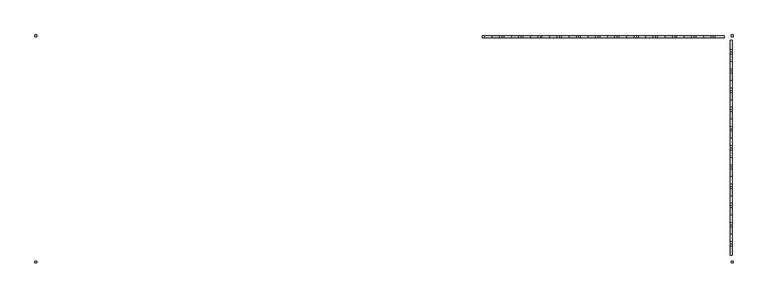
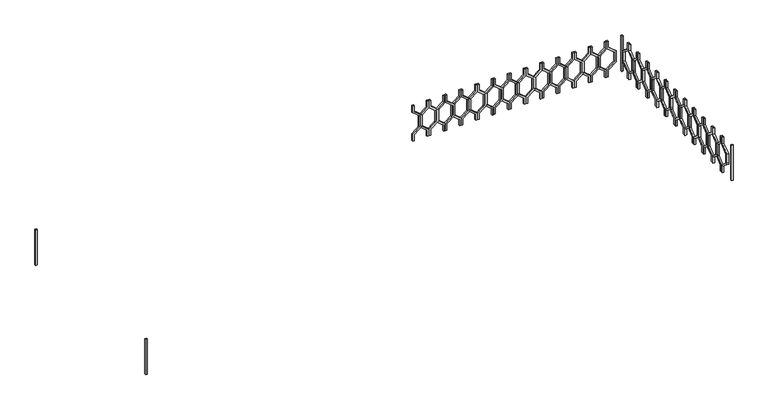
"""IFC4 building model written with IfcOpenShell, lengths in millimetres: railing geometry."""

from ifc_helpers import new_model, si_unit, frame, origin, place, context, project, spatial, polyline, outline, extrude, source, transform, mapped, element, save


def railing_6341f59c(model_context):
    return source(origin(), model_context, "Body", "SweptSolid", [
        extrude(outline(polyline([(25360.0, -43314.9887159), (25270.448155, -43314.9887159), (25190.448155, -43215.9937665), (25069.551845, -43215.9937665), (24989.551845, -43314.9887159), (24900.0, -43314.9887159), (24900.0, -43294.9887159), (24980.0, -43294.9887159), (25060.0, -43195.9937665), (25200.0, -43195.9937665), (25280.0, -43294.9887159), (25360.0, -43294.9887159), (25360.0, -43314.9887159)])), frame((0.0, 3248.1079487, 0.0), z_axis=(0.0, 1.0, 0.0), x_axis=(0.0, 0.0, 1.0)), (0.0, 0.0, 1.0), 20.0),
        extrude(outline(polyline([(25360.0, -43114.9887159), (25360.0, -43134.9887159), (25280.0, -43134.9887159), (25200.0, -43233.9836653), (25060.0, -43233.9836653), (24980.0, -43134.9887159), (24900.0, -43134.9887159), (24900.0, -43114.9887159), (24989.551845, -43114.9887159), (25069.551845, -43213.9836653), (25190.448155, -43213.9836653), (25270.448155, -43114.9887159), (25360.0, -43114.9887159)])), frame((0.0, 3248.1079487, 0.0), z_axis=(0.0, 1.0, 0.0), x_axis=(0.0, 0.0, 1.0)), (0.0, 0.0, 1.0), 20.0),
        extrude(outline(polyline([(25360.0, -43114.9887159), (25270.448155, -43114.9887159), (25190.448155, -43015.9937665), (25069.551845, -43015.9937665), (24989.551845, -43114.9887159), (24900.0, -43114.9887159), (24900.0, -43094.9887159), (24980.0, -43094.9887159), (25060.0, -42995.9937665), (25200.0, -42995.9937665), (25280.0, -43094.9887159), (25360.0, -43094.9887159), (25360.0, -43114.9887159)])), frame((0.0, 3248.1079487, 0.0), z_axis=(0.0, 1.0, 0.0), x_axis=(0.0, 0.0, 1.0)), (0.0, 0.0, 1.0), 20.0),
        extrude(outline(polyline([(25360.0, -42914.9887159), (25360.0, -42934.9887159), (25280.0, -42934.9887159), (25200.0, -43033.9836653), (25060.0, -43033.9836653), (24980.0, -42934.9887159), (24900.0, -42934.9887159), (24900.0, -42914.9887159), (24989.551845, -42914.9887159), (25069.551845, -43013.9836653), (25190.448155, -43013.9836653), (25270.448155, -42914.9887159), (25360.0, -42914.9887159)])), frame((0.0, 3248.1079487, 0.0), z_axis=(0.0, 1.0, 0.0), x_axis=(0.0, 0.0, 1.0)), (0.0, 0.0, 1.0), 20.0),
        extrude(outline(polyline([(25360.0, -42914.9887159), (25270.448155, -42914.9887159), (25190.448155, -42815.9937665), (25069.551845, -42815.9937665), (24989.551845, -42914.9887159), (24900.0, -42914.9887159), (24900.0, -42894.9887159), (24980.0, -42894.9887159), (25060.0, -42795.9937665), (25200.0, -42795.9937665), (25280.0, -42894.9887159), (25360.0, -42894.9887159), (25360.0, -42914.9887159)])), frame((0.0, 3248.1079487, 0.0), z_axis=(0.0, 1.0, 0.0), x_axis=(0.0, 0.0, 1.0)), (0.0, 0.0, 1.0), 20.0),
        extrude(outline(polyline([(25360.0, -42714.9887159), (25360.0, -42734.9887159), (25280.0, -42734.9887159), (25200.0, -42833.9836653), (25060.0, -42833.9836653), (24980.0, -42734.9887159), (24900.0, -42734.9887159), (24900.0, -42714.9887159), (24989.551845, -42714.9887159), (25069.551845, -42813.9836653), (25190.448155, -42813.9836653), (25270.448155, -42714.9887159), (25360.0, -42714.9887159)])), frame((0.0, 3248.1079487, 0.0), z_axis=(0.0, 1.0, 0.0), x_axis=(0.0, 0.0, 1.0)), (0.0, 0.0, 1.0), 20.0),
        extrude(outline(polyline([(25360.0, -42714.9887159), (25270.448155, -42714.9887159), (25190.448155, -42615.9937665), (25069.551845, -42615.9937665), (24989.551845, -42714.9887159), (24900.0, -42714.9887159), (24900.0, -42694.9887159), (24980.0, -42694.9887159), (25060.0, -42595.9937665), (25200.0, -42595.9937665), (25280.0, -42694.9887159), (25360.0, -42694.9887159), (25360.0, -42714.9887159)])), frame((0.0, 3248.1079487, 0.0), z_axis=(0.0, 1.0, 0.0), x_axis=(0.0, 0.0, 1.0)), (0.0, 0.0, 1.0), 20.0),
        extrude(outline(polyline([(25360.0, -42514.9887159), (25360.0, -42534.9887159), (25280.0, -42534.9887159), (25200.0, -42633.9836653), (25060.0, -42633.9836653), (24980.0, -42534.9887159), (24900.0, -42534.9887159), (24900.0, -42514.9887159), (24989.551845, -42514.9887159), (25069.551845, -42613.9836653), (25190.448155, -42613.9836653), (25270.448155, -42514.9887159), (25360.0, -42514.9887159)])), frame((0.0, 3248.1079487, 0.0), z_axis=(0.0, 1.0, 0.0), x_axis=(0.0, 0.0, 1.0)), (0.0, 0.0, 1.0), 20.0),
        extrude(outline(polyline([(25360.0, -42514.9887159), (25270.448155, -42514.9887159), (25190.448155, -42415.9937665), (25069.551845, -42415.9937665), (24989.551845, -42514.9887159), (24900.0, -42514.9887159), (24900.0, -42494.9887159), (24980.0, -42494.9887159), (25060.0, -42395.9937665), (25200.0, -42395.9937665), (25280.0, -42494.9887159), (25360.0, -42494.9887159), (25360.0, -42514.9887159)])), frame((0.0, 3248.1079487, 0.0), z_axis=(0.0, 1.0, 0.0), x_axis=(0.0, 0.0, 1.0)), (0.0, 0.0, 1.0), 20.0),
        extrude(outline(polyline([(25360.0, -42314.9887159), (25360.0, -42334.9887159), (25280.0, -42334.9887159), (25200.0, -42433.9836653), (25060.0, -42433.9836653), (24980.0, -42334.9887159), (24900.0, -42334.9887159), (24900.0, -42314.9887159), (24989.551845, -42314.9887159), (25069.551845, -42413.9836653), (25190.448155, -42413.9836653), (25270.448155, -42314.9887159), (25360.0, -42314.9887159)])), frame((0.0, 3248.1079487, 0.0), z_axis=(0.0, 1.0, 0.0), x_axis=(0.0, 0.0, 1.0)), (0.0, 0.0, 1.0), 20.0),
        extrude(outline(polyline([(25360.0, -42314.9887159), (25270.448155, -42314.9887159), (25190.448155, -42215.9937665), (25069.551845, -42215.9937665), (24989.551845, -42314.9887159), (24900.0, -42314.9887159), (24900.0, -42294.9887159), (24980.0, -42294.9887159), (25060.0, -42195.9937665), (25200.0, -42195.9937665), (25280.0, -42294.9887159), (25360.0, -42294.9887159), (25360.0, -42314.9887159)])), frame((0.0, 3248.1079487, 0.0), z_axis=(0.0, 1.0, 0.0), x_axis=(0.0, 0.0, 1.0)), (0.0, 0.0, 1.0), 20.0),
        extrude(outline(polyline([(25360.0, -42114.9887159), (25360.0, -42134.9887159), (25280.0, -42134.9887159), (25200.0, -42233.9836653), (25060.0, -42233.9836653), (24980.0, -42134.9887159), (24900.0, -42134.9887159), (24900.0, -42114.9887159), (24989.551845, -42114.9887159), (25069.551845, -42213.9836653), (25190.448155, -42213.9836653), (25270.448155, -42114.9887159), (25360.0, -42114.9887159)])), frame((0.0, 3248.1079487, 0.0), z_axis=(0.0, 1.0, 0.0), x_axis=(0.0, 0.0, 1.0)), (0.0, 0.0, 1.0), 20.0),
        extrude(outline(polyline([(25360.0, -42114.9887159), (25270.448155, -42114.9887159), (25190.448155, -42015.9937665), (25069.551845, -42015.9937665), (24989.551845, -42114.9887159), (24900.0, -42114.9887159), (24900.0, -42094.9887159), (24980.0, -42094.9887159), (25060.0, -41995.9937665), (25200.0, -41995.9937665), (25280.0, -42094.9887159), (25360.0, -42094.9887159), (25360.0, -42114.9887159)])), frame((0.0, 3248.1079487, 0.0), z_axis=(0.0, 1.0, 0.0), x_axis=(0.0, 0.0, 1.0)), (0.0, 0.0, 1.0), 20.0),
        extrude(outline(polyline([(25360.0, -41914.9887159), (25360.0, -41934.9887159), (25280.0, -41934.9887159), (25200.0, -42033.9836653), (25060.0, -42033.9836653), (24980.0, -41934.9887159), (24900.0, -41934.9887159), (24900.0, -41914.9887159), (24989.551845, -41914.9887159), (25069.551845, -42013.9836653), (25190.448155, -42013.9836653), (25270.448155, -41914.9887159), (25360.0, -41914.9887159)])), frame((0.0, 3248.1079487, 0.0), z_axis=(0.0, 1.0, 0.0), x_axis=(0.0, 0.0, 1.0)), (0.0, 0.0, 1.0), 20.0),
        extrude(outline(polyline([(25360.0, -41914.9887159), (25270.448155, -41914.9887159), (25190.448155, -41815.9937665), (25069.551845, -41815.9937665), (24989.551845, -41914.9887159), (24900.0, -41914.9887159), (24900.0, -41894.9887159), (24980.0, -41894.9887159), (25060.0, -41795.9937665), (25200.0, -41795.9937665), (25280.0, -41894.9887159), (25360.0, -41894.9887159), (25360.0, -41914.9887159)])), frame((0.0, 3248.1079487, 0.0), z_axis=(0.0, 1.0, 0.0), x_axis=(0.0, 0.0, 1.0)), (0.0, 0.0, 1.0), 20.0),
        extrude(outline(polyline([(25360.0, -41714.9887159), (25360.0, -41734.9887159), (25280.0, -41734.9887159), (25200.0, -41833.9836653), (25060.0, -41833.9836653), (24980.0, -41734.9887159), (24900.0, -41734.9887159), (24900.0, -41714.9887159), (24989.551845, -41714.9887159), (25069.551845, -41813.9836653), (25190.448155, -41813.9836653), (25270.448155, -41714.9887159), (25360.0, -41714.9887159)])), frame((0.0, 3248.1079487, 0.0), z_axis=(0.0, 1.0, 0.0), x_axis=(0.0, 0.0, 1.0)), (0.0, 0.0, 1.0), 20.0),
        extrude(outline(polyline([(25360.0, -41714.9887159), (25270.448155, -41714.9887159), (25190.448155, -41615.9937665), (25069.551845, -41615.9937665), (24989.551845, -41714.9887159), (24900.0, -41714.9887159), (24900.0, -41694.9887159), (24980.0, -41694.9887159), (25060.0, -41595.9937665), (25200.0, -41595.9937665), (25280.0, -41694.9887159), (25360.0, -41694.9887159), (25360.0, -41714.9887159)])), frame((0.0, 3248.1079487, 0.0), z_axis=(0.0, 1.0, 0.0), x_axis=(0.0, 0.0, 1.0)), (0.0, 0.0, 1.0), 20.0),
        extrude(outline(polyline([(25360.0, -41514.9887159), (25360.0, -41534.9887159), (25280.0, -41534.9887159), (25200.0, -41633.9836653), (25060.0, -41633.9836653), (24980.0, -41534.9887159), (24900.0, -41534.9887159), (24900.0, -41514.9887159), (24989.551845, -41514.9887159), (25069.551845, -41613.9836653), (25190.448155, -41613.9836653), (25270.448155, -41514.9887159), (25360.0, -41514.9887159)])), frame((0.0, 3248.1079487, 0.0), z_axis=(0.0, 1.0, 0.0), x_axis=(0.0, 0.0, 1.0)), (0.0, 0.0, 1.0), 20.0),
        extrude(outline(polyline([(25360.0, -41514.9887159), (25270.448155, -41514.9887159), (25190.448155, -41415.9937665), (25069.551845, -41415.9937665), (24989.551845, -41514.9887159), (24900.0, -41514.9887159), (24900.0, -41494.9887159), (24980.0, -41494.9887159), (25060.0, -41395.9937665), (25200.0, -41395.9937665), (25280.0, -41494.9887159), (25360.0, -41494.9887159), (25360.0, -41514.9887159)])), frame((0.0, 3248.1079487, 0.0), z_axis=(0.0, 1.0, 0.0), x_axis=(0.0, 0.0, 1.0)), (0.0, 0.0, 1.0), 20.0),
        extrude(outline(polyline([(25360.0, -41314.9887159), (25360.0, -41334.9887159), (25280.0, -41334.9887159), (25200.0, -41433.9836653), (25060.0, -41433.9836653), (24980.0, -41334.9887159), (24900.0, -41334.9887159), (24900.0, -41314.9887159), (24989.551845, -41314.9887159), (25069.551845, -41413.9836653), (25190.448155, -41413.9836653), (25270.448155, -41314.9887159), (25360.0, -41314.9887159)])), frame((0.0, 3248.1079487, 0.0), z_axis=(0.0, 1.0, 0.0), x_axis=(0.0, 0.0, 1.0)), (0.0, 0.0, 1.0), 20.0),
        extrude(outline(polyline([(25360.0, -41314.9887159), (25270.448155, -41314.9887159), (25190.448155, -41215.9937665), (25069.551845, -41215.9937665), (24989.551845, -41314.9887159), (24900.0, -41314.9887159), (24900.0, -41294.9887159), (24980.0, -41294.9887159), (25060.0, -41195.9937665), (25200.0, -41195.9937665), (25280.0, -41294.9887159), (25360.0, -41294.9887159), (25360.0, -41314.9887159)])), frame((0.0, 3248.1079487, 0.0), z_axis=(0.0, 1.0, 0.0), x_axis=(0.0, 0.0, 1.0)), (0.0, 0.0, 1.0), 20.0),
        extrude(outline(polyline([(25360.0, -41114.9887159), (25360.0, -41134.9887159), (25280.0, -41134.9887159), (25200.0, -41233.9836653), (25060.0, -41233.9836653), (24980.0, -41134.9887159), (24900.0, -41134.9887159), (24900.0, -41114.9887159), (24989.551845, -41114.9887159), (25069.551845, -41213.9836653), (25190.448155, -41213.9836653), (25270.448155, -41114.9887159), (25360.0, -41114.9887159)])), frame((0.0, 3248.1079487, 0.0), z_axis=(0.0, 1.0, 0.0), x_axis=(0.0, 0.0, 1.0)), (0.0, 0.0, 1.0), 20.0),
        extrude(outline(polyline([(25360.0, -41114.9887159), (25270.448155, -41114.9887159), (25190.448155, -41015.9937665), (25069.551845, -41015.9937665), (24989.551845, -41114.9887159), (24900.0, -41114.9887159), (24900.0, -41094.9887159), (24980.0, -41094.9887159), (25060.0, -40995.9937665), (25200.0, -40995.9937665), (25280.0, -41094.9887159), (25360.0, -41094.9887159), (25360.0, -41114.9887159)])), frame((0.0, 3248.1079487, 0.0), z_axis=(0.0, 1.0, 0.0), x_axis=(0.0, 0.0, 1.0)), (0.0, 0.0, 1.0), 20.0),
        extrude(outline(polyline([(25360.0, -40914.9887159), (25360.0, -40934.9887159), (25280.0, -40934.9887159), (25200.0, -41033.9836653), (25060.0, -41033.9836653), (24980.0, -40934.9887159), (24900.0, -40934.9887159), (24900.0, -40914.9887159), (24989.551845, -40914.9887159), (25069.551845, -41013.9836653), (25190.448155, -41013.9836653), (25270.448155, -40914.9887159), (25360.0, -40914.9887159)])), frame((0.0, 3248.1079487, 0.0), z_axis=(0.0, 1.0, 0.0), x_axis=(0.0, 0.0, 1.0)), (0.0, 0.0, 1.0), 20.0),
        extrude(outline(polyline([(25360.0, -40914.9887159), (25270.448155, -40914.9887159), (25190.448155, -40815.9937665), (25069.551845, -40815.9937665), (24989.551845, -40914.9887159), (24900.0, -40914.9887159), (24900.0, -40894.9887159), (24980.0, -40894.9887159), (25060.0, -40795.9937665), (25200.0, -40795.9937665), (25280.0, -40894.9887159), (25360.0, -40894.9887159), (25360.0, -40914.9887159)])), frame((0.0, 3248.1079487, 0.0), z_axis=(0.0, 1.0, 0.0), x_axis=(0.0, 0.0, 1.0)), (0.0, 0.0, 1.0), 20.0),
        extrude(outline(polyline([(3103.1079487, 25360.0), (3123.1079487, 25360.0), (3123.1079487, 25280.0), (3222.102898, 25200.0), (3222.102898, 25060.0), (3123.1079487, 24980.0), (3123.1079487, 24900.0), (3103.1079487, 24900.0), (3103.1079487, 24989.551845), (3202.102898, 25069.551845), (3202.102898, 25190.448155), (3103.1079487, 25270.448155), (3103.1079487, 25360.0)])), frame((-40734.9887159, 0.0, 0.0), z_axis=(1.0, 0.0, 0.0), x_axis=(0.0, 1.0, 0.0)), (0.0, 0.0, 1.0), 20.0),
        extrude(outline(polyline([(3103.1079487, 25360.0), (3103.1079487, 25270.448155), (3004.1129993, 25190.448155), (3004.1129993, 25069.551845), (3103.1079487, 24989.551845), (3103.1079487, 24900.0), (3083.1079487, 24900.0), (3083.1079487, 24980.0), (2984.1129993, 25060.0), (2984.1129993, 25200.0), (3083.1079487, 25280.0), (3083.1079487, 25360.0), (3103.1079487, 25360.0)])), frame((-40734.9887159, 0.0, 0.0), z_axis=(1.0, 0.0, 0.0), x_axis=(0.0, 1.0, 0.0)), (0.0, 0.0, 1.0), 20.0),
        extrude(outline(polyline([(2903.1079487, 25360.0), (2923.1079487, 25360.0), (2923.1079487, 25280.0), (3022.102898, 25200.0), (3022.102898, 25060.0), (2923.1079487, 24980.0), (2923.1079487, 24900.0), (2903.1079487, 24900.0), (2903.1079487, 24989.551845), (3002.102898, 25069.551845), (3002.102898, 25190.448155), (2903.1079487, 25270.448155), (2903.1079487, 25360.0)])), frame((-40734.9887159, 0.0, 0.0), z_axis=(1.0, 0.0, 0.0), x_axis=(0.0, 1.0, 0.0)), (0.0, 0.0, 1.0), 20.0),
        extrude(outline(polyline([(2903.1079487, 25360.0), (2903.1079487, 25270.448155), (2804.1129993, 25190.448155), (2804.1129993, 25069.551845), (2903.1079487, 24989.551845), (2903.1079487, 24900.0), (2883.1079487, 24900.0), (2883.1079487, 24980.0), (2784.1129993, 25060.0), (2784.1129993, 25200.0), (2883.1079487, 25280.0), (2883.1079487, 25360.0), (2903.1079487, 25360.0)])), frame((-40734.9887159, 0.0, 0.0), z_axis=(1.0, 0.0, 0.0), x_axis=(0.0, 1.0, 0.0)), (0.0, 0.0, 1.0), 20.0),
        extrude(outline(polyline([(2703.1079487, 25360.0), (2723.1079487, 25360.0), (2723.1079487, 25280.0), (2822.102898, 25200.0), (2822.102898, 25060.0), (2723.1079487, 24980.0), (2723.1079487, 24900.0), (2703.1079487, 24900.0), (2703.1079487, 24989.551845), (2802.102898, 25069.551845), (2802.102898, 25190.448155), (2703.1079487, 25270.448155), (2703.1079487, 25360.0)])), frame((-40734.9887159, 0.0, 0.0), z_axis=(1.0, 0.0, 0.0), x_axis=(0.0, 1.0, 0.0)), (0.0, 0.0, 1.0), 20.0),
        extrude(outline(polyline([(2703.1079487, 25360.0), (2703.1079487, 25270.448155), (2604.1129993, 25190.448155), (2604.1129993, 25069.551845), (2703.1079487, 24989.551845), (2703.1079487, 24900.0), (2683.1079487, 24900.0), (2683.1079487, 24980.0), (2584.1129993, 25060.0), (2584.1129993, 25200.0), (2683.1079487, 25280.0), (2683.1079487, 25360.0), (2703.1079487, 25360.0)])), frame((-40734.9887159, 0.0, 0.0), z_axis=(1.0, 0.0, 0.0), x_axis=(0.0, 1.0, 0.0)), (0.0, 0.0, 1.0), 20.0),
        extrude(outline(polyline([(2503.1079487, 25360.0), (2523.1079487, 25360.0), (2523.1079487, 25280.0), (2622.102898, 25200.0), (2622.102898, 25060.0), (2523.1079487, 24980.0), (2523.1079487, 24900.0), (2503.1079487, 24900.0), (2503.1079487, 24989.551845), (2602.102898, 25069.551845), (2602.102898, 25190.448155), (2503.1079487, 25270.448155), (2503.1079487, 25360.0)])), frame((-40734.9887159, 0.0, 0.0), z_axis=(1.0, 0.0, 0.0), x_axis=(0.0, 1.0, 0.0)), (0.0, 0.0, 1.0), 20.0),
        extrude(outline(polyline([(2503.1079487, 25360.0), (2503.1079487, 25270.448155), (2404.1129993, 25190.448155), (2404.1129993, 25069.551845), (2503.1079487, 24989.551845), (2503.1079487, 24900.0), (2483.1079487, 24900.0), (2483.1079487, 24980.0), (2384.1129993, 25060.0), (2384.1129993, 25200.0), (2483.1079487, 25280.0), (2483.1079487, 25360.0), (2503.1079487, 25360.0)])), frame((-40734.9887159, 0.0, 0.0), z_axis=(1.0, 0.0, 0.0), x_axis=(0.0, 1.0, 0.0)), (0.0, 0.0, 1.0), 20.0),
        extrude(outline(polyline([(2303.1079487, 25360.0), (2323.1079487, 25360.0), (2323.1079487, 25280.0), (2422.102898, 25200.0), (2422.102898, 25060.0), (2323.1079487, 24980.0), (2323.1079487, 24900.0), (2303.1079487, 24900.0), (2303.1079487, 24989.551845), (2402.102898, 25069.551845), (2402.102898, 25190.448155), (2303.1079487, 25270.448155), (2303.1079487, 25360.0)])), frame((-40734.9887159, 0.0, 0.0), z_axis=(1.0, 0.0, 0.0), x_axis=(0.0, 1.0, 0.0)), (0.0, 0.0, 1.0), 20.0),
        extrude(outline(polyline([(2303.1079487, 25360.0), (2303.1079487, 25270.448155), (2204.1129993, 25190.448155), (2204.1129993, 25069.551845), (2303.1079487, 24989.551845), (2303.1079487, 24900.0), (2283.1079487, 24900.0), (2283.1079487, 24980.0), (2184.1129993, 25060.0), (2184.1129993, 25200.0), (2283.1079487, 25280.0), (2283.1079487, 25360.0), (2303.1079487, 25360.0)])), frame((-40734.9887159, 0.0, 0.0), z_axis=(1.0, 0.0, 0.0), x_axis=(0.0, 1.0, 0.0)), (0.0, 0.0, 1.0), 20.0),
        extrude(outline(polyline([(2103.1079487, 25360.0), (2123.1079487, 25360.0), (2123.1079487, 25280.0), (2222.102898, 25200.0), (2222.102898, 25060.0), (2123.1079487, 24980.0), (2123.1079487, 24900.0), (2103.1079487, 24900.0), (2103.1079487, 24989.551845), (2202.102898, 25069.551845), (2202.102898, 25190.448155), (2103.1079487, 25270.448155), (2103.1079487, 25360.0)])), frame((-40734.9887159, 0.0, 0.0), z_axis=(1.0, 0.0, 0.0), x_axis=(0.0, 1.0, 0.0)), (0.0, 0.0, 1.0), 20.0),
        extrude(outline(polyline([(2103.1079487, 25360.0), (2103.1079487, 25270.448155), (2004.1129993, 25190.448155), (2004.1129993, 25069.551845), (2103.1079487, 24989.551845), (2103.1079487, 24900.0), (2083.1079487, 24900.0), (2083.1079487, 24980.0), (1984.1129993, 25060.0), (1984.1129993, 25200.0), (2083.1079487, 25280.0), (2083.1079487, 25360.0), (2103.1079487, 25360.0)])), frame((-40734.9887159, 0.0, 0.0), z_axis=(1.0, 0.0, 0.0), x_axis=(0.0, 1.0, 0.0)), (0.0, 0.0, 1.0), 20.0),
        extrude(outline(polyline([(1903.1079487, 25360.0), (1923.1079487, 25360.0), (1923.1079487, 25280.0), (2022.102898, 25200.0), (2022.102898, 25060.0), (1923.1079487, 24980.0), (1923.1079487, 24900.0), (1903.1079487, 24900.0), (1903.1079487, 24989.551845), (2002.102898, 25069.551845), (2002.102898, 25190.448155), (1903.1079487, 25270.448155), (1903.1079487, 25360.0)])), frame((-40734.9887159, 0.0, 0.0), z_axis=(1.0, 0.0, 0.0), x_axis=(0.0, 1.0, 0.0)), (0.0, 0.0, 1.0), 20.0),
        extrude(outline(polyline([(1903.1079487, 25360.0), (1903.1079487, 25270.448155), (1804.1129993, 25190.448155), (1804.1129993, 25069.551845), (1903.1079487, 24989.551845), (1903.1079487, 24900.0), (1883.1079487, 24900.0), (1883.1079487, 24980.0), (1784.1129993, 25060.0), (1784.1129993, 25200.0), (1883.1079487, 25280.0), (1883.1079487, 25360.0), (1903.1079487, 25360.0)])), frame((-40734.9887159, 0.0, 0.0), z_axis=(1.0, 0.0, 0.0), x_axis=(0.0, 1.0, 0.0)), (0.0, 0.0, 1.0), 20.0),
        extrude(outline(polyline([(1703.1079487, 25360.0), (1723.1079487, 25360.0), (1723.1079487, 25280.0), (1822.102898, 25200.0), (1822.102898, 25060.0), (1723.1079487, 24980.0), (1723.1079487, 24900.0), (1703.1079487, 24900.0), (1703.1079487, 24989.551845), (1802.102898, 25069.551845), (1802.102898, 25190.448155), (1703.1079487, 25270.448155), (1703.1079487, 25360.0)])), frame((-40734.9887159, 0.0, 0.0), z_axis=(1.0, 0.0, 0.0), x_axis=(0.0, 1.0, 0.0)), (0.0, 0.0, 1.0), 20.0),
        extrude(outline(polyline([(1703.1079487, 25360.0), (1703.1079487, 25270.448155), (1604.1129993, 25190.448155), (1604.1129993, 25069.551845), (1703.1079487, 24989.551845), (1703.1079487, 24900.0), (1683.1079487, 24900.0), (1683.1079487, 24980.0), (1584.1129993, 25060.0), (1584.1129993, 25200.0), (1683.1079487, 25280.0), (1683.1079487, 25360.0), (1703.1079487, 25360.0)])), frame((-40734.9887159, 0.0, 0.0), z_axis=(1.0, 0.0, 0.0), x_axis=(0.0, 1.0, 0.0)), (0.0, 0.0, 1.0), 20.0),
        extrude(outline(polyline([(1503.1079487, 25360.0), (1523.1079487, 25360.0), (1523.1079487, 25280.0), (1622.102898, 25200.0), (1622.102898, 25060.0), (1523.1079487, 24980.0), (1523.1079487, 24900.0), (1503.1079487, 24900.0), (1503.1079487, 24989.551845), (1602.102898, 25069.551845), (1602.102898, 25190.448155), (1503.1079487, 25270.448155), (1503.1079487, 25360.0)])), frame((-40734.9887159, 0.0, 0.0), z_axis=(1.0, 0.0, 0.0), x_axis=(0.0, 1.0, 0.0)), (0.0, 0.0, 1.0), 20.0),
        extrude(outline(polyline([(1503.1079487, 25360.0), (1503.1079487, 25270.448155), (1404.1129993, 25190.448155), (1404.1129993, 25069.551845), (1503.1079487, 24989.551845), (1503.1079487, 24900.0), (1483.1079487, 24900.0), (1483.1079487, 24980.0), (1384.1129993, 25060.0), (1384.1129993, 25200.0), (1483.1079487, 25280.0), (1483.1079487, 25360.0), (1503.1079487, 25360.0)])), frame((-40734.9887159, 0.0, 0.0), z_axis=(1.0, 0.0, 0.0), x_axis=(0.0, 1.0, 0.0)), (0.0, 0.0, 1.0), 20.0),
        extrude(outline(polyline([(1303.1079487, 25360.0), (1323.1079487, 25360.0), (1323.1079487, 25280.0), (1422.102898, 25200.0), (1422.102898, 25060.0), (1323.1079487, 24980.0), (1323.1079487, 24900.0), (1303.1079487, 24900.0), (1303.1079487, 24989.551845), (1402.102898, 25069.551845), (1402.102898, 25190.448155), (1303.1079487, 25270.448155), (1303.1079487, 25360.0)])), frame((-40734.9887159, 0.0, 0.0), z_axis=(1.0, 0.0, 0.0), x_axis=(0.0, 1.0, 0.0)), (0.0, 0.0, 1.0), 20.0),
        extrude(outline(polyline([(1303.1079487, 25360.0), (1303.1079487, 25270.448155), (1204.1129993, 25190.448155), (1204.1129993, 25069.551845), (1303.1079487, 24989.551845), (1303.1079487, 24900.0), (1283.1079487, 24900.0), (1283.1079487, 24980.0), (1184.1129993, 25060.0), (1184.1129993, 25200.0), (1283.1079487, 25280.0), (1283.1079487, 25360.0), (1303.1079487, 25360.0)])), frame((-40734.9887159, 0.0, 0.0), z_axis=(1.0, 0.0, 0.0), x_axis=(0.0, 1.0, 0.0)), (0.0, 0.0, 1.0), 20.0),
        extrude(outline(polyline([(1103.1079487, 25360.0), (1123.1079487, 25360.0), (1123.1079487, 25280.0), (1222.102898, 25200.0), (1222.102898, 25060.0), (1123.1079487, 24980.0), (1123.1079487, 24900.0), (1103.1079487, 24900.0), (1103.1079487, 24989.551845), (1202.102898, 25069.551845), (1202.102898, 25190.448155), (1103.1079487, 25270.448155), (1103.1079487, 25360.0)])), frame((-40734.9887159, 0.0, 0.0), z_axis=(1.0, 0.0, 0.0), x_axis=(0.0, 1.0, 0.0)), (0.0, 0.0, 1.0), 20.0),
        extrude(outline(polyline([(1103.1079487, 25360.0), (1103.1079487, 25270.448155), (1004.1129993, 25190.448155), (1004.1129993, 25069.551845), (1103.1079487, 24989.551845), (1103.1079487, 24900.0), (1083.1079487, 24900.0), (1083.1079487, 24980.0), (984.1129993, 25060.0), (984.1129993, 25200.0), (1083.1079487, 25280.0), (1083.1079487, 25360.0), (1103.1079487, 25360.0)])), frame((-40734.9887159, 0.0, 0.0), z_axis=(1.0, 0.0, 0.0), x_axis=(0.0, 1.0, 0.0)), (0.0, 0.0, 1.0), 20.0),
        extrude(outline(polyline([(-47954.9887159, 3278.1079487), (-47954.9887159, 3258.1079487), (-47974.9887159, 3258.1079487), (-47974.9887159, 3278.1079487), (-47954.9887159, 3278.1079487)])), frame((0.0, 0.0, 24900.0), z_axis=(0.0, 0.0, 1.0), x_axis=(1.0, 0.0, 0.0)), (0.0, 0.0, 1.0), 460.0),
        extrude(outline(polyline([(-40704.9887159, 3258.1079487), (-40724.9887159, 3258.1079487), (-40724.9887159, 3278.1079487), (-40704.9887159, 3278.1079487), (-40704.9887159, 3258.1079487)])), frame((0.0, 0.0, 24900.0), z_axis=(0.0, 0.0, 1.0), x_axis=(1.0, 0.0, 0.0)), (0.0, 0.0, 1.0), 460.0),
        extrude(outline(polyline([(-47974.9887159, 923.1079487), (-47954.9887159, 923.1079487), (-47954.9887159, 903.1079487), (-47974.9887159, 903.1079487), (-47974.9887159, 923.1079487)])), frame((0.0, 0.0, 24900.0), z_axis=(0.0, 0.0, 1.0), x_axis=(1.0, 0.0, 0.0)), (0.0, 0.0, 1.0), 460.0),
        extrude(outline(polyline([(-40704.9887159, 903.1079487), (-40724.9887159, 903.1079487), (-40724.9887159, 923.1079487), (-40704.9887159, 923.1079487), (-40704.9887159, 903.1079487)])), frame((0.0, 0.0, 24900.0), z_axis=(0.0, 0.0, 1.0), x_axis=(1.0, 0.0, 0.0)), (0.0, 0.0, 1.0), 460.0),
    ])


if __name__ == "__main__":
    model = new_model("IFC4")
    model_context = context("Model", 3, world=origin())
    ifc_project = project(units=[si_unit("LENGTHUNIT", "METRE", prefix="MILLI")], contexts=[model_context])
    site = spatial("IfcSite", under=ifc_project)
    building = spatial("IfcBuilding", under=site)
    placement = place(None, origin())
    railing_shape = railing_6341f59c(model_context)
    element("IfcRailing", 1, at=placement, inside=building, context=model_context, shape_type="MappedRepresentation", body=[
        mapped(railing_shape, transform((0.0, 0.0, 0.0), x_axis=(1.0, 0.0, 0.0), y_axis=(0.0, 1.0, 0.0), z_axis=(0.0, 0.0, 1.0))),
    ])
    save(model, "model.ifc")
